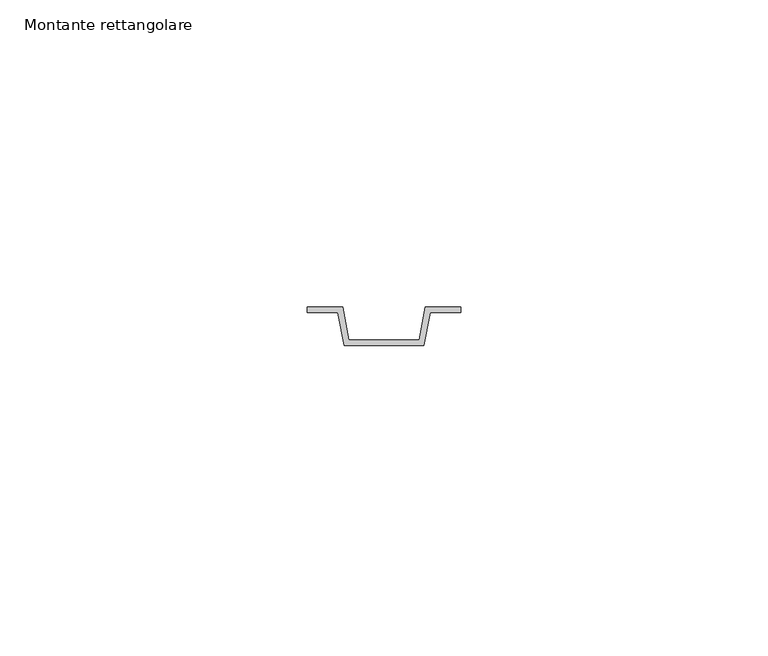
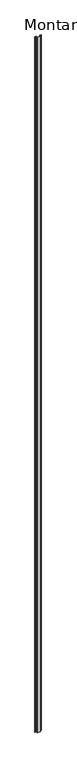
"""IFC4 building model written with IfcOpenShell, lengths in millimetres: member geometry, Montante rettangolare."""

from ifc_helpers import new_model, si_unit, frame, origin, place, context, project, spatial, polyline, outline, extrude, source, transform, mapped, element, save


def montante_rettangolare_be4fdad3(model_context):
    return source(origin(), model_context, "Body", "SweptSolid", [
        extrude(outline(polyline([(-6.7536795, -50.84375), (-5.7536795, -56.24375), (5.7536795, -56.24375), (6.7536795, -50.84375), (12.5, -50.84375), (12.5, -51.75625), (7.5, -51.75625), (6.5, -57.15625), (-6.5, -57.15625), (-7.5, -51.75625), (-12.5, -51.75625), (-12.5, -50.84375), (-6.7536795, -50.84375)])), frame((0.0, 0.0, -3000.0), z_axis=(0.0, 0.0, 1.0), x_axis=(1.0, 0.0, 0.0)), (0.0, 0.0, 1.0), 3000.0),
    ])


if __name__ == "__main__":
    model = new_model("IFC4")
    model_context = context("Model", 3, world=origin())
    ifc_project = project(units=[si_unit("LENGTHUNIT", "METRE", prefix="MILLI")], contexts=[model_context])
    site = spatial("IfcSite", under=ifc_project)
    building = spatial("IfcBuilding", under=site)
    placement = place(None, origin())
    montante_rettangolare_shape = montante_rettangolare_be4fdad3(model_context)
    element("IfcMember", 1, ObjectType="Montante rettangolare", at=placement, inside=building, context=model_context, shape_type="MappedRepresentation", body=[
        mapped(montante_rettangolare_shape, transform((0.0, 0.0, 0.0), x_axis=(1.0, 0.0, 0.0), y_axis=(0.0, 1.0, 0.0), z_axis=(0.0, 0.0, 1.0))),
    ])
    save(model, "model.ifc")
